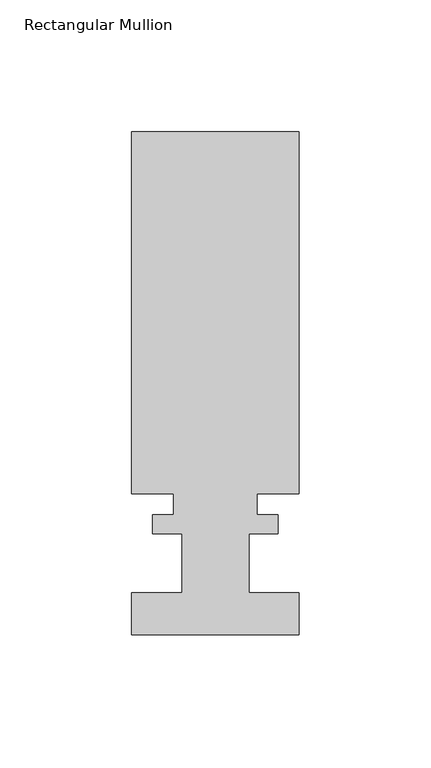
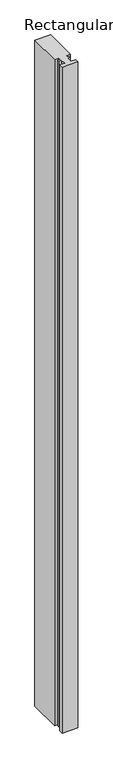
"""IFC4 building model written with IfcOpenShell, lengths in millimetres: member geometry, Rectangular Mullion."""

from ifc_helpers import new_model, si_unit, frame, origin, place, context, project, spatial, polyline, outline, extrude, source, transform, mapped, element, save


def rectangular_mullion_e6d13459(model_context):
    return source(origin(), model_context, "Body", "SweptSolid", [
        extrude(outline(polyline([(-31.75, 1.1350625), (-31.75, 17.0100625), (-12.7, 17.0100625), (-12.7, 39.4890625), (-23.8252, 39.4890625), (-23.8252, 46.6518625), (-15.875, 46.6518625), (-15.875, 54.5512625), (-31.75, 54.5512625), (-31.75, 191.8890625), (31.75, 191.8890625), (31.75, 54.5512625), (15.875, 54.5512625), (15.875, 46.6518625), (23.8252, 46.6518625), (23.8252, 39.4890625), (12.7, 39.4890625), (12.7, 17.0100625), (31.75, 17.0100625), (31.75, 1.1350625), (-31.75, 1.1350625)])), frame((0.0, 0.0, -2845.451264), z_axis=(0.0, 0.0, 1.0), x_axis=(1.0, 0.0, 0.0)), (0.0, 0.0, 1.0), 2845.451264),
    ])


if __name__ == "__main__":
    model = new_model("IFC4")
    model_context = context("Model", 3, world=origin())
    ifc_project = project(units=[si_unit("LENGTHUNIT", "METRE", prefix="MILLI")], contexts=[model_context])
    site = spatial("IfcSite", under=ifc_project)
    building = spatial("IfcBuilding", under=site)
    placement = place(None, origin())
    rectangular_mullion_shape = rectangular_mullion_e6d13459(model_context)
    element("IfcMember", 1, ObjectType="Rectangular Mullion", at=placement, inside=building, context=model_context, shape_type="MappedRepresentation", body=[
        mapped(rectangular_mullion_shape, transform((0.0, 0.0, 0.0), x_axis=(1.0, 0.0, 0.0), y_axis=(0.0, 1.0, 0.0), z_axis=(0.0, 0.0, 1.0))),
    ])
    save(model, "model.ifc")
